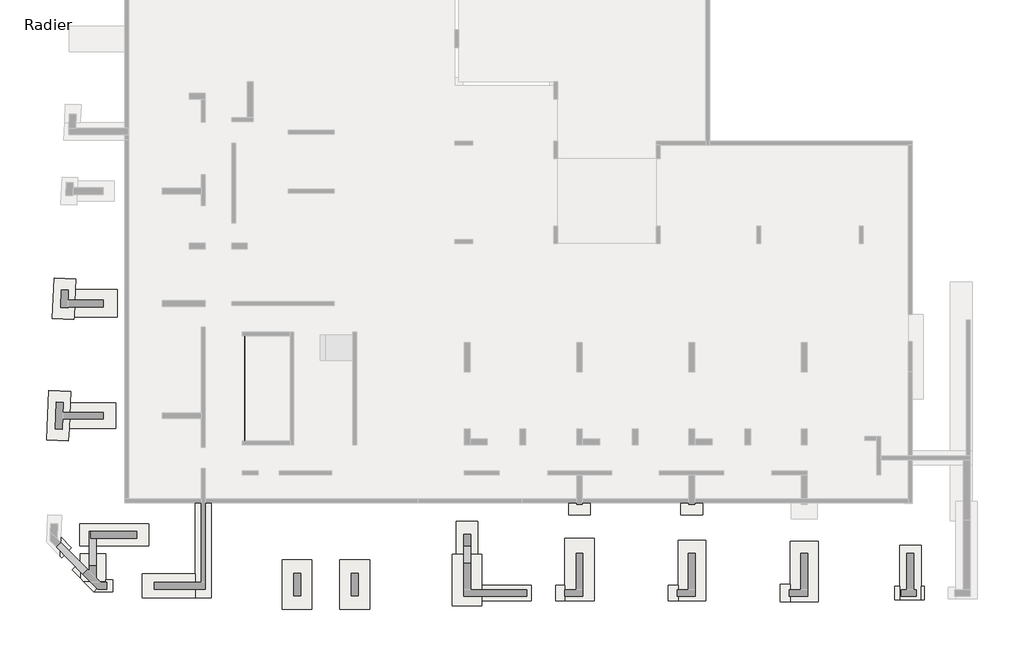
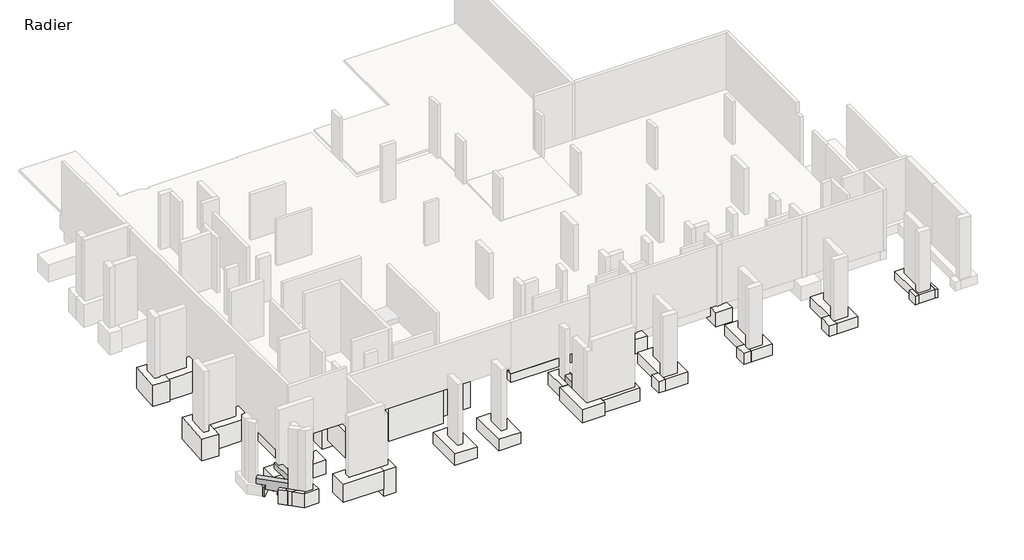
# One storey, part 4 of 5: 48 footings, 8 beams, 2 slabs.
"""IFC4 building model written with IfcOpenShell, lengths in millimetres."""

from ifc_helpers import new_model, si_unit, frame, origin, place, context, project, spatial, polyline, outline, extrude, faceted_brep, element, save

model = new_model("IFC4")

# Units and contexts
model_context = context("Model", 3, world=origin())
ifc_project = project(units=[si_unit("LENGTHUNIT", "METRE", prefix="MILLI")], contexts=[model_context])

# Site, building, storey
site = spatial("IfcSite", under=ifc_project)
building = spatial("IfcBuilding", under=site)
storey = spatial("IfcBuildingStorey", under=building, Name="Radier", Elevation=-3900.0)

# Beams
placement = place(None, origin())
element("IfcBeam", 1, ObjectType="VF. 20/190", at=placement, inside=storey, context=model_context, shape_type="Brep", body=[
    faceted_brep([(-34745.6912908, -6244.0672499, -4050.0), (-34745.6912908, -11559.0672499, -4050.0), (-34745.6912908, -11559.0672499, -5600.0), (-34745.6912908, -11559.0672499, -5750.0), (-34745.6912908, -11559.0672499, -5800.0), (-34745.6912908, -6244.0672499, -5800.0), (-34745.6912908, -6244.0672499, -5750.0), (-34745.6912908, -6244.0672499, -5600.0), (-34945.6912908, -11759.0672499, -5800.0), (-34945.6912908, -6044.0672499, -5800.0), (-34865.6912908, -6044.0672499, -5800.0), (-34865.6912908, -6244.0672499, -5800.0), (-34865.6912908, -11559.0672499, -5800.0), (-34865.6912908, -11759.0672499, -5800.0), (-34945.6912908, -11759.0672499, -4050.0), (-34945.6912908, -6044.0672499, -4050.0), (-34865.6912908, -11759.0672499, -4050.0), (-34865.6912908, -11559.0672499, -4050.0), (-34865.6912908, -6244.0672499, -4050.0), (-34865.6912908, -6044.0672499, -4050.0)], [[[0, 1, 2, 3, 4, 5, 6, 7]], [[8, 9, 10, 11, 5, 4, 12, 13]], [[14, 15, 9, 8]], [[15, 14, 16, 17, 1, 0, 18, 19]], [[9, 15, 19, 10]], [[14, 8, 13, 16]], [[11, 18, 0, 7, 6, 5]], [[18, 11, 10, 19]], [[17, 12, 4, 3, 2, 1]], [[12, 17, 16, 13]]]),
])
element("IfcBeam", 2, ObjectType="VF. 20/40", at=placement, inside=storey, context=model_context, shape_type="SweptSolid", body=[
    extrude(outline(polyline([(-36935.6912908, -11889.0672499), (-36735.6912908, -11889.0672499), (-36735.6912908, -12949.0672499), (-36935.6912908, -12949.0672499), (-36935.6912908, -11889.0672499)])), frame((0.0, 0.0, -4300.0), z_axis=(0.0, 0.0, 1.0), x_axis=(1.0, 0.0, 0.0)), (0.0, 0.0, 1.0), 250.0),
])
element("IfcBeam", 3, ObjectType="VF. 20/40", at=placement, inside=storey, context=model_context, shape_type="SweptSolid", body=[
    extrude(outline(polyline([(-32995.6912908, -13079.0672499), (-32995.6912908, -13279.0672499), (-34055.6912908, -13279.0672499), (-34055.6912908, -13079.0672499), (-32995.6912908, -13079.0672499)])), frame((0.0, 0.0, -4300.0), z_axis=(0.0, 0.0, 1.0), x_axis=(1.0, 0.0, 0.0)), (0.0, 0.0, 1.0), 250.0),
])
element("IfcBeam", 4, ObjectType="VF. 20/40", at=placement, inside=storey, context=model_context, shape_type="SweptSolid", body=[
    extrude(outline(polyline([(-35405.6912908, -4489.0672499), (-35405.6912908, -4689.0672499), (-36735.6912908, -4689.0672499), (-36735.6912908, -4489.0672499), (-35405.6912908, -4489.0672499)])), frame((0.0, 0.0, -4300.0), z_axis=(0.0, 0.0, 1.0), x_axis=(1.0, 0.0, 0.0)), (0.0, 0.0, 1.0), 250.0),
])
element("IfcBeam", 5, ObjectType="VF. 30/40", at=placement, inside=storey, context=model_context, shape_type="SweptSolid", body=[
    extrude(outline(polyline([(-35405.6912908, -1544.0672499), (-35405.6912908, -1844.0672499), (-36735.6912908, -1844.0672499), (-36735.6912908, -1544.0672499), (-35405.6912908, -1544.0672499)])), frame((0.0, 0.0, -4300.0), z_axis=(0.0, 0.0, 1.0), x_axis=(1.0, 0.0, 0.0)), (0.0, 0.0, 1.0), 250.0),
])
element("IfcBeam", 6, ObjectType="VF. 35/40", at=placement, inside=storey, context=model_context, shape_type="SweptSolid", body=[
    extrude(outline(polyline([(-42250.6912908, -17889.0672499), (-42600.6912908, -17889.0672499), (-42600.6912908, -16144.0672499), (-42525.6912908, -16144.0672499), (-42525.6912908, -16494.0672499), (-42250.6912908, -16494.0672499), (-42250.6912908, -17889.0672499)])), frame((0.0, 0.0, -4300.0), z_axis=(0.0, 0.0, 1.0), x_axis=(1.0, 0.0, 0.0)), (0.0, 0.0, 1.0), 400.0),
])
element("IfcBeam", 7, ObjectType="VF. 35/40", at=placement, inside=storey, context=model_context, shape_type="SweptSolid", body=[
    extrude(outline(polyline([(-23650.6912908, -16879.0672499), (-23300.6912908, -16879.0672499), (-23300.6912908, -17759.0672499), (-23650.6912908, -17759.0672499), (-23650.6912908, -16879.0672499)])), frame((0.0, 0.0, -4300.0), z_axis=(0.0, 0.0, 1.0), x_axis=(1.0, 0.0, 0.0)), (0.0, 0.0, 1.0), 400.0),
])
element("IfcBeam", 8, ObjectType="VF. 35/70", at=placement, inside=storey, context=model_context, shape_type="Brep", body=[
    faceted_brep([(-42683.933067, -18072.0990181, -3900.0), (-42932.9248767, -18318.0727539, -3900.0), (-42932.9248767, -18318.0727539, -4300.0), (-42683.933067, -18072.0990181, -4300.0), (-44296.322155, -16937.9467228, -3900.0), (-44047.3303452, -16691.972987, -3900.0), (-44047.3303452, -16691.972987, -4300.0), (-44296.322155, -16937.9467228, -4300.0), (-43888.1193718, -17351.1581147, -4300.0), (-43888.1193718, -17351.1581147, -4600.0), (-43312.5552464, -17933.7843563, -4600.0), (-43312.5552464, -17933.7843563, -4300.0), (-43075.6912908, -17675.5339587, -4600.0), (-43075.6912908, -17699.7914708, -4600.0), (-43639.127562, -17105.1843789, -4600.0), (-43075.6912908, -17675.5339587, -4300.0), (-43639.127562, -17105.1843789, -4300.0), (-43075.6912908, -17699.7914708, -4300.0)], [[[0, 1, 2, 3]], [[4, 5, 6, 7]], [[1, 4, 7, 8, 9, 10, 11, 2]], [[12, 13, 10, 9, 14]], [[5, 0, 3, 15, 12, 14, 16, 6]], [[1, 0, 5, 4]], [[3, 2, 11, 17, 15]], [[12, 15, 17, 13]], [[16, 8, 7, 6]], [[17, 11, 10, 13]], [[8, 16, 14, 9]]]),
])

# Footings
element("IfcFooting", 9, at=placement, inside=storey, context=model_context, shape_type="Brep", body=[
    faceted_brep([(-33870.6912908, -2444.0672499, -4300.0), (-33870.6912908, -2444.0672499, -6200.0), (-33870.6912908, -944.0672499, -6200.0), (-33870.6912908, -944.0672499, -4300.0), (-38270.6912908, -2444.0672499, -6200.0), (-38270.6912908, -2444.0672499, -4300.0), (-38270.6912908, -944.0672499, -4300.0), (-38270.6912908, -944.0672499, -6200.0), (-34605.6912908, -944.0672499, -4300.0), (-34605.6912908, -994.0672499, -4300.0), (-36005.6912908, -994.0672499, -4300.0), (-36005.6912908, -944.0672499, -4300.0), (-36005.6912908, -944.0672499, -5700.0), (-34605.6912908, -944.0672499, -5700.0), (-36005.6912908, -994.0672499, -5700.0), (-34605.6912908, -994.0672499, -5700.0)], [[[0, 1, 2, 3]], [[4, 5, 6, 7]], [[5, 0, 3, 8, 9, 10, 11, 6]], [[1, 0, 5, 4]], [[2, 1, 4, 7]], [[3, 2, 7, 6, 11, 12, 13, 8]], [[14, 10, 9, 15]], [[10, 14, 12, 11]], [[14, 15, 13, 12]], [[15, 9, 8, 13]]]),
])
element("IfcFooting", 10, at=placement, inside=storey, context=model_context, shape_type="SweptSolid", body=[
    extrude(outline(polyline([(-43381.4763941, -5289.0672499), (-43317.9655169, -3889.0672499), (-41205.3123193, -3889.0672499), (-41205.3123193, -5289.0672499), (-43381.4763941, -5289.0672499)])), frame((0.0, 0.0, -5800.0), z_axis=(0.0, 0.0, 1.0), x_axis=(1.0, 0.0, 0.0)), (0.0, 0.0, 1.0), 1500.0),
])
element("IfcFooting", 11, at=placement, inside=storey, context=model_context, shape_type="Brep", body=[
    faceted_brep([(-36735.6912908, -3739.0672499, -4300.0), (-36735.6912908, -5439.0672499, -4300.0), (-36735.6912908, -5439.0672499, -6300.0), (-36735.6912908, -3739.0672499, -6300.0), (-39855.6912908, -5439.0672499, -4300.0), (-39855.6912908, -3739.0672499, -4300.0), (-39855.6912908, -3739.0672499, -6300.0), (-39855.6912908, -5439.0672499, -6300.0), (-37585.6912908, -5439.0672499, -4300.0), (-37585.6912908, -5439.0672499, -6300.0), (-37585.6912908, -3739.0672499, -6300.0)], [[[0, 1, 2, 3]], [[4, 5, 6, 7]], [[0, 5, 4, 8, 1]], [[2, 1, 8, 4, 7, 9]], [[3, 2, 9, 7, 6, 10]], [[0, 3, 10, 6, 5]]]),
])
element("IfcFooting", 12, at=placement, inside=storey, context=model_context, shape_type="Brep", body=[
    faceted_brep([(-37585.6912908, -3739.0672499, -6800.0), (-37585.6912908, -5439.0672499, -6800.0), (-37585.6912908, -5439.0672499, -6600.0), (-37585.6912908, -5439.0672499, -6300.0), (-37585.6912908, -3739.0672499, -6300.0), (-30065.6912908, -3739.0672499, -6800.0), (-30065.6912908, -3739.0672499, -6300.0), (-30065.6912908, -3739.0672499, -4300.0), (-30065.6912908, -5439.0672499, -4300.0), (-30065.6912908, -5439.0672499, -6800.0), (-36735.6912908, -3739.0672499, -4300.0), (-36735.6912908, -4489.0672499, -4300.0), (-36735.6912908, -4689.0672499, -4300.0), (-36735.6912908, -5439.0672499, -4300.0), (-36085.6912908, -5439.0672499, -4300.0), (-36735.6912908, -3739.0672499, -6300.0), (-36735.6912908, -5439.0672499, -6300.0)], [[[0, 1, 2, 3, 4]], [[5, 6, 7, 8, 9]], [[8, 7, 10, 11, 12, 13, 14]], [[7, 6, 5, 0, 4, 15, 10]], [[1, 0, 5, 9]], [[9, 8, 14, 13, 16, 3, 2, 1]], [[15, 16, 13, 12, 11, 10]], [[16, 15, 4, 3]]]),
])
element("IfcFooting", 13, at=placement, inside=storey, context=model_context, shape_type="Brep", body=[
    faceted_brep([(-36085.6912908, -12999.0672499, -4300.0), (-36435.6912908, -12999.0672499, -4300.0), (-37235.6912908, -12999.0672499, -4300.0), (-37585.6912908, -12999.0672499, -4300.0), (-37585.6912908, -12999.0672499, -6600.0), (-36085.6912908, -12999.0672499, -6600.0), (-37585.6912908, -5439.0672499, -4300.0), (-36735.6912908, -5439.0672499, -4300.0), (-36085.6912908, -5439.0672499, -4300.0), (-36085.6912908, -5439.0672499, -6600.0), (-37585.6912908, -5439.0672499, -6600.0), (-37585.6912908, -5439.0672499, -6300.0), (-37585.6912908, -9529.0672499, -4300.0), (-37585.6912908, -11029.0672499, -4300.0)], [[[0, 1, 2, 3, 4, 5]], [[6, 7, 8, 9, 10, 11]], [[0, 8, 7, 6, 12, 13, 3, 2, 1]], [[4, 3, 13, 12, 6, 11, 10]], [[5, 4, 10, 9]], [[0, 5, 9, 8]]]),
])
element("IfcFooting", 14, at=placement, inside=storey, context=model_context, shape_type="SweptSolid", body=[
    extrude(outline(polyline([(-39555.6912908, -11029.0672499), (-39555.6912908, -9529.0672499), (-37585.6912908, -9529.0672499), (-37585.6912908, -11029.0672499), (-39555.6912908, -11029.0672499)])), frame((0.0, 0.0, -6100.0), z_axis=(0.0, 0.0, 1.0), x_axis=(1.0, 0.0, 0.0)), (0.0, 0.0, 1.0), 1800.0),
])
element("IfcFooting", 15, at=placement, inside=storey, context=model_context, shape_type="SweptSolid", body=[
    extrude(outline(polyline([(-43637.3344995, -10929.0672499), (-43578.3601135, -9629.0672499), (-41263.4386703, -9629.0672499), (-41263.4386703, -10929.0672499), (-43637.3344995, -10929.0672499)])), frame((0.0, 0.0, -5800.0), z_axis=(0.0, 0.0, 1.0), x_axis=(1.0, 0.0, 0.0)), (0.0, 0.0, 1.0), 1500.0),
])
element("IfcFooting", 16, at=placement, inside=storey, context=model_context, shape_type="Brep", body=[
    faceted_brep([(-28265.6912908, -13979.0672499, -4300.0), (-30065.6912908, -13979.0672499, -4300.0), (-30065.6912908, -13979.0672499, -6300.0), (-28265.6912908, -13979.0672499, -6300.0), (-30065.6912908, -3739.0672499, -4300.0), (-28265.6912908, -3739.0672499, -4300.0), (-28265.6912908, -3739.0672499, -6300.0), (-30065.6912908, -3739.0672499, -6300.0), (-30065.6912908, -5439.0672499, -4300.0), (-30065.6912908, -12379.0672499, -4300.0)], [[[0, 1, 2, 3]], [[4, 5, 6, 7]], [[0, 5, 4, 8, 9, 1]], [[2, 1, 9, 8, 4, 7]], [[3, 2, 7, 6]], [[0, 3, 6, 5]]]),
])
element("IfcFooting", 17, at=placement, inside=storey, context=model_context, shape_type="Brep", body=[
    faceted_brep([(-30065.6912908, -12379.0672499, -4300.0), (-30065.6912908, -13979.0672499, -4300.0), (-30065.6912908, -13979.0672499, -6300.0), (-30065.6912908, -13979.0672499, -6800.0), (-30065.6912908, -12379.0672499, -6800.0), (-33715.6912908, -13979.0672499, -4300.0), (-33715.6912908, -13629.0672499, -4300.0), (-33715.6912908, -12729.0672499, -4300.0), (-33715.6912908, -12379.0672499, -4300.0), (-33715.6912908, -12379.0672499, -6800.0), (-33715.6912908, -12729.0672499, -6800.0), (-33715.6912908, -13629.0672499, -6800.0), (-33715.6912908, -13979.0672499, -6800.0)], [[[0, 1, 2, 3, 4]], [[5, 6, 7, 8, 9, 10, 11, 12]], [[0, 8, 7, 6, 5, 1]], [[3, 2, 1, 5, 12]], [[4, 3, 12, 11, 10, 9]], [[0, 4, 9, 8]]]),
])
element("IfcFooting", 18, at=placement, inside=storey, context=model_context, shape_type="SweptSolid", body=[
    extrude(outline(polyline([(-35215.6912908, -13629.0672499), (-35215.6912908, -12729.0672499), (-33715.6912908, -12729.0672499), (-33715.6912908, -13629.0672499), (-35215.6912908, -13629.0672499)])), frame((0.0, 0.0, -6800.0), z_axis=(0.0, 0.0, 1.0), x_axis=(1.0, 0.0, 0.0)), (0.0, 0.0, 1.0), 2500.0),
])
element("IfcFooting", 19, at=placement, inside=storey, context=model_context, shape_type="Brep", body=[
    faceted_brep([(-35265.6912908, -6794.0672499, -5800.0), (-35265.6912908, -5494.0672499, -5800.0), (-35265.6912908, -5494.0672499, -6800.0), (-35265.6912908, -6794.0672499, -6800.0), (-32345.6912908, -5494.0672499, -5800.0), (-32345.6912908, -6794.0672499, -5800.0), (-32345.6912908, -6794.0672499, -6800.0), (-32345.6912908, -5494.0672499, -6800.0), (-33045.6912908, -6794.0672499, -5800.0), (-33045.6912908, -6794.0672499, -6800.0)], [[[0, 1, 2, 3]], [[4, 5, 6, 7]], [[0, 8, 5, 4, 1]], [[2, 1, 4, 7]], [[3, 2, 7, 6, 9]], [[0, 3, 9, 6, 5, 8]]]),
])
element("IfcFooting", 20, at=placement, inside=storey, context=model_context, shape_type="Brep", body=[
    faceted_brep([(-31645.6912908, -5494.0672499, -5800.0), (-31645.6912908, -5494.0672499, -6800.0), (-32345.6912908, -5494.0672499, -6800.0), (-32345.6912908, -5494.0672499, -5800.0), (-31645.6912908, -12059.0672499, -5800.0), (-32345.6912908, -6794.0672499, -5800.0), (-33045.6912908, -6794.0672499, -5800.0), (-33045.6912908, -11259.0672499, -5800.0), (-33045.6912908, -12059.0672499, -5800.0), (-33045.6912908, -12059.0672499, -6800.0), (-33045.6912908, -6794.0672499, -6800.0), (-33045.6912908, -11259.0672499, -6800.0), (-31645.6912908, -12059.0672499, -6800.0), (-32345.6912908, -6794.0672499, -6800.0)], [[[0, 1, 2, 3]], [[4, 0, 3, 5, 6, 7, 8]], [[9, 8, 7, 6, 10, 11]], [[1, 12, 9, 11, 10, 13, 2]], [[1, 0, 4, 12]], [[13, 5, 3, 2]], [[5, 13, 10, 6]], [[4, 8, 9, 12]]]),
])
element("IfcFooting", 21, at=placement, inside=storey, context=model_context, shape_type="SweptSolid", body=[
    extrude(outline(polyline([(-35265.6912908, -12059.0672499), (-35265.6912908, -11259.0672499), (-33045.6912908, -11259.0672499), (-33045.6912908, -12059.0672499), (-35265.6912908, -12059.0672499)])), frame((0.0, 0.0, -6800.0), z_axis=(0.0, 0.0, 1.0), x_axis=(1.0, 0.0, 0.0)), (0.0, 0.0, 1.0), 1000.0),
])
element("IfcFooting", 22, at=placement, inside=storey, context=model_context, shape_type="Brep", body=[
    faceted_brep([(-41775.6912908, -18690.656629, -5300.0), (-41775.6912908, -18690.656629, -4300.0), (-41928.2567405, -18690.656629, -4300.0), (-42881.1326203, -18690.656629, -4300.0), (-42881.1326203, -18690.656629, -5300.0), (-41928.2567405, -18690.656629, -5300.0), (-43075.6912908, -17289.0672499, -5300.0), (-43075.6912908, -17289.0672499, -4300.0), (-41775.6912908, -17289.0672499, -4300.0), (-41775.6912908, -17289.0672499, -5300.0), (-41775.6912908, -18599.0672499, -4300.0), (-43075.6912908, -17675.5339587, -4300.0), (-43075.6912908, -17699.7914708, -4300.0), (-43075.6912908, -18493.7107424, -4300.0), (-43075.6912908, -17699.7914708, -5300.0), (-43075.6912908, -18493.7107424, -5300.0), (-41775.6912908, -18599.0672499, -5300.0)], [[[0, 1, 2, 3, 4, 5]], [[6, 7, 8, 9]], [[1, 10, 8, 7, 11, 12, 13, 3, 2]], [[7, 6, 14, 15, 13, 12, 11]], [[6, 9, 16, 0, 5, 4, 15, 14]], [[1, 0, 16, 9, 8, 10]], [[4, 3, 13, 15]]]),
])
element("IfcFooting", 23, at=placement, inside=storey, context=model_context, shape_type="Brep", body=[
    faceted_brep([(-37235.6912908, -19499.0672499, -4300.0), (-36435.6912908, -19499.0672499, -4300.0), (-36435.6912908, -12999.0672499, -4300.0), (-37235.6912908, -12999.0672499, -4300.0), (-37235.6912908, -18299.0672499, -4300.0), (-37235.6912908, -19499.0672499, -6100.0), (-37235.6912908, -19499.0672499, -5600.0), (-37235.6912908, -12999.0672499, -6100.0), (-36435.6912908, -19499.0672499, -6100.0), (-36435.6912908, -12999.0672499, -6100.0)], [[[0, 1, 2, 3, 4]], [[5, 6, 0, 4, 3, 7]], [[8, 5, 7, 9]], [[1, 8, 9, 2]], [[1, 0, 6, 5, 8]], [[3, 2, 9, 7]]]),
])
element("IfcFooting", 24, at=placement, inside=storey, context=model_context, shape_type="SweptSolid", body=[
    extrude(outline(polyline([(-31335.6912908, -20094.0672499), (-32835.6912908, -20094.0672499), (-32835.6912908, -17574.0672499), (-31335.6912908, -17574.0672499), (-31335.6912908, -20094.0672499)])), frame((0.0, 0.0, -5100.0), z_axis=(0.0, 0.0, 1.0), x_axis=(1.0, 0.0, 0.0)), (0.0, 0.0, 1.0), 800.0),
])
element("IfcFooting", 25, at=placement, inside=storey, context=model_context, shape_type="SweptSolid", body=[
    extrude(outline(polyline([(-28415.6912908, -20094.0672499), (-29915.6912908, -20094.0672499), (-29915.6912908, -17574.0672499), (-28415.6912908, -17574.0672499), (-28415.6912908, -20094.0672499)])), frame((0.0, 0.0, -5100.0), z_axis=(0.0, 0.0, 1.0), x_axis=(1.0, 0.0, 0.0)), (0.0, 0.0, 1.0), 800.0),
])
element("IfcFooting", 26, at=placement, inside=storey, context=model_context, shape_type="Brep", body=[
    faceted_brep([(-22725.6912908, -19919.0672499, -4300.0), (-24225.6912908, -19919.0672499, -4300.0), (-24225.6912908, -19919.0672499, -5200.0), (-22725.6912908, -19919.0672499, -5200.0), (-24225.6912908, -17319.0672499, -4300.0), (-24025.6912908, -17319.0672499, -4300.0), (-22925.6912908, -17319.0672499, -4300.0), (-22725.6912908, -17319.0672499, -4300.0), (-22725.6912908, -17319.0672499, -5200.0), (-22925.6912908, -17319.0672499, -5200.0), (-24025.6912908, -17319.0672499, -5200.0), (-24225.6912908, -17319.0672499, -5200.0), (-22725.6912908, -19669.0672499, -4300.0), (-22725.6912908, -18869.0672499, -4300.0), (-22725.6912908, -18869.0672499, -5200.0), (-22725.6912908, -19669.0672499, -5200.0)], [[[0, 1, 2, 3]], [[4, 5, 6, 7, 8, 9, 10, 11]], [[0, 12, 13, 7, 6, 5, 4, 1]], [[2, 1, 4, 11]], [[3, 2, 11, 10, 9, 8, 14, 15]], [[0, 3, 15, 14, 8, 7, 13, 12]]]),
])
element("IfcFooting", 27, at=placement, inside=storey, context=model_context, shape_type="SweptSolid", body=[
    extrude(outline(polyline([(-22925.6912908, -17319.0672499), (-24025.6912908, -17319.0672499), (-24025.6912908, -15639.0672499), (-22925.6912908, -15639.0672499), (-22925.6912908, -17319.0672499)])), frame((0.0, 0.0, -5200.0), z_axis=(0.0, 0.0, 1.0), x_axis=(1.0, 0.0, 0.0)), (0.0, 0.0, 1.0), 900.0),
])
element("IfcFooting", 28, at=placement, inside=storey, context=model_context, shape_type="Brep", body=[
    faceted_brep([(-18535.6912908, -16499.0672499, -4300.0), (-17035.6912908, -16499.0672499, -4300.0), (-17035.6912908, -16499.0672499, -5100.0), (-18535.6912908, -16499.0672499, -5100.0), (-17035.6912908, -19669.0672499, -4300.0), (-18535.6912908, -18869.0672499, -4300.0), (-18535.6912908, -19669.0672499, -4300.0), (-18535.6912908, -19669.0672499, -5100.0), (-18535.6912908, -18869.0672499, -5100.0), (-17035.6912908, -19669.0672499, -5100.0)], [[[0, 1, 2, 3]], [[4, 1, 0, 5, 6]], [[7, 6, 5, 0, 3, 8]], [[9, 7, 8, 3, 2]], [[4, 9, 2, 1]], [[4, 6, 7, 9]]]),
])
element("IfcFooting", 29, at=placement, inside=storey, context=model_context, shape_type="Brep", body=[
    faceted_brep([(-12795.6912908, -16599.0672499, -4300.0), (-11395.6912908, -16599.0672499, -4300.0), (-11395.6912908, -16599.0672499, -5050.0), (-12795.6912908, -16599.0672499, -5050.0), (-11395.6912908, -19669.0672499, -4300.0), (-12795.6912908, -18869.0672499, -4300.0), (-12795.6912908, -19669.0672499, -4300.0), (-12795.6912908, -19669.0672499, -5050.0), (-12795.6912908, -18869.0672499, -5050.0), (-11395.6912908, -19669.0672499, -5050.0)], [[[0, 1, 2, 3]], [[4, 1, 0, 5, 6]], [[7, 6, 5, 0, 3, 8]], [[9, 7, 8, 3, 2]], [[4, 9, 2, 1]], [[4, 6, 7, 9]]]),
])
element("IfcFooting", 30, at=placement, inside=storey, context=model_context, shape_type="Brep", body=[
    faceted_brep([(-7105.6912908, -16649.0672499, -4300.0), (-5705.6912908, -16649.0672499, -4300.0), (-5705.6912908, -16649.0672499, -5050.0), (-7105.6912908, -16649.0672499, -5050.0), (-5705.6912908, -19719.0672499, -4300.0), (-7105.6912908, -18819.0672499, -4300.0), (-7105.6912908, -19719.0672499, -4300.0), (-7105.6912908, -19719.0672499, -5050.0), (-7105.6912908, -18819.0672499, -5050.0), (-5705.6912908, -19719.0672499, -5050.0)], [[[0, 1, 2, 3]], [[4, 1, 0, 5, 6]], [[7, 6, 5, 0, 3, 8]], [[9, 7, 8, 3, 2]], [[4, 9, 2, 1]], [[4, 6, 7, 9]]]),
])
element("IfcFooting", 31, at=placement, inside=storey, context=model_context, shape_type="Brep", body=[
    faceted_brep([(-1575.6912908, -16849.0672499, -4300.0), (-475.6912908, -16849.0672499, -4300.0), (-475.6912908, -16849.0672499, -4900.0), (-1575.6912908, -16849.0672499, -4900.0), (-475.6912908, -19619.0672499, -4300.0), (-475.6912908, -18919.0672499, -4300.0), (-1575.6912908, -18919.0672499, -4300.0), (-1575.6912908, -19619.0672499, -4300.0), (-1575.6912908, -19619.0672499, -4900.0), (-1575.6912908, -18919.0672499, -4900.0), (-475.6912908, -19619.0672499, -4900.0), (-475.6912908, -18919.0672499, -4900.0)], [[[0, 1, 2, 3]], [[4, 5, 1, 0, 6, 7]], [[8, 7, 6, 0, 3, 9]], [[10, 8, 9, 3, 2, 11]], [[4, 10, 11, 2, 1, 5]], [[4, 7, 8, 10]]]),
])
element("IfcFooting", 32, at=placement, inside=storey, context=model_context, shape_type="SweptSolid", body=[
    extrude(outline(polyline([(-21183.1912908, -12529.0672499), (-21183.1912908, -13829.0672499), (-24293.1912908, -13829.0672499), (-24293.1912908, -12529.0672499), (-21183.1912908, -12529.0672499)])), frame((0.0, 0.0, -5300.0), z_axis=(0.0, 0.0, 1.0), x_axis=(1.0, 0.0, 0.0)), (0.0, 0.0, 1.0), 1000.0),
])
element("IfcFooting", 33, at=placement, inside=storey, context=model_context, shape_type="Brep", body=[
    faceted_brep([(-15635.6912908, -12629.0672499, -4300.0), (-15635.6912908, -13729.0672499, -4300.0), (-15635.6912908, -13729.0672499, -5300.0), (-15635.6912908, -12629.0672499, -5300.0), (-19910.6912908, -13729.0672499, -4300.0), (-19910.6912908, -12629.0672499, -4300.0), (-19910.6912908, -12629.0672499, -5300.0), (-19910.6912908, -13729.0672499, -5300.0), (-18335.6912908, -13729.0672499, -4300.0), (-17235.6912908, -13729.0672499, -4300.0), (-18335.6912908, -13729.0672499, -5300.0), (-17235.6912908, -13729.0672499, -5300.0)], [[[0, 1, 2, 3]], [[4, 5, 6, 7]], [[0, 5, 4, 8, 9, 1]], [[2, 1, 9, 8, 4, 7, 10, 11]], [[3, 2, 11, 10, 7, 6]], [[0, 3, 6, 5]]]),
])
element("IfcFooting", 34, at=placement, inside=storey, context=model_context, shape_type="Brep", body=[
    faceted_brep([(-18335.6912908, -15314.0672499, -4300.0), (-18335.6912908, -15314.0672499, -5300.0), (-17235.6912908, -15314.0672499, -5300.0), (-17235.6912908, -15314.0672499, -4300.0), (-17235.6912908, -14699.0672499, -4300.0), (-17235.6912908, -14299.0672499, -4300.0), (-17235.6912908, -13729.0672499, -4300.0), (-18335.6912908, -13729.0672499, -4300.0), (-18335.6912908, -14299.0672499, -4300.0), (-18335.6912908, -14699.0672499, -4300.0), (-18335.6912908, -13729.0672499, -5300.0), (-17235.6912908, -13729.0672499, -5300.0)], [[[0, 1, 2, 3]], [[0, 3, 4, 5, 6, 7, 8, 9]], [[1, 0, 9, 8, 7, 10]], [[2, 1, 10, 11]], [[3, 2, 11, 6, 5, 4]], [[7, 6, 11, 10]]]),
])
element("IfcFooting", 35, at=placement, inside=storey, context=model_context, shape_type="Brep", body=[
    faceted_brep([(-11545.6912908, -15314.0672499, -4300.0), (-12645.6912908, -15314.0672499, -4300.0), (-12645.6912908, -15314.0672499, -5300.0), (-11545.6912908, -15314.0672499, -5300.0), (-11545.6912908, -14699.0672499, -4300.0), (-11545.6912908, -14299.0672499, -4300.0), (-11545.6912908, -13679.0672499, -4300.0), (-11545.6912908, -12679.0672499, -4300.0), (-12645.6912908, -12679.0672499, -4300.0), (-12645.6912908, -13679.0672499, -4300.0), (-12645.6912908, -14299.0672499, -4300.0), (-12645.6912908, -14699.0672499, -4300.0), (-12645.6912908, -12679.0672499, -5300.0), (-12645.6912908, -13679.0672499, -5300.0), (-11545.6912908, -12679.0672499, -5300.0), (-11545.6912908, -13679.0672499, -5300.0)], [[[0, 1, 2, 3]], [[0, 4, 5, 6, 7, 8, 9, 10, 11, 1]], [[2, 1, 11, 10, 9, 8, 12, 13]], [[3, 2, 13, 12, 14, 15]], [[0, 3, 15, 14, 7, 6, 5, 4]], [[8, 7, 14, 12]]]),
])
element("IfcFooting", 36, at=placement, inside=storey, context=model_context, shape_type="Brep", body=[
    faceted_brep([(-24275.6912908, -10159.0672499, -4300.0), (-22675.6912908, -10159.0672499, -4300.0), (-22675.6912908, -10159.0672499, -5300.0), (-24275.6912908, -10159.0672499, -5300.0), (-24275.6912908, -12459.0672499, -4300.0), (-22675.6912908, -12459.0672499, -4300.0), (-22675.6912908, -10759.0672499, -4300.0), (-22675.6912908, -12459.0672499, -5300.0), (-22675.6912908, -10759.0672499, -5300.0), (-24275.6912908, -12459.0672499, -5300.0)], [[[0, 1, 2, 3]], [[0, 4, 5, 6, 1]], [[2, 1, 6, 5, 7, 8]], [[3, 2, 8, 7, 9]], [[0, 3, 9, 4]], [[5, 4, 9, 7]]]),
])
element("IfcFooting", 37, at=placement, inside=storey, context=model_context, shape_type="SweptSolid", body=[
    extrude(outline(polyline([(-19900.6912908, -12409.0672499), (-21400.6912908, -12409.0672499), (-21400.6912908, -10309.0672499), (-19900.6912908, -10309.0672499), (-19900.6912908, -12409.0672499)])), frame((0.0, 0.0, -5300.0), z_axis=(0.0, 0.0, 1.0), x_axis=(1.0, 0.0, 0.0)), (0.0, 0.0, 1.0), 1000.0),
])
element("IfcFooting", 38, at=placement, inside=storey, context=model_context, shape_type="Brep", body=[
    faceted_brep([(-18635.6912908, -10159.0672499, -4300.0), (-16935.6912908, -10159.0672499, -4300.0), (-16935.6912908, -10159.0672499, -5300.0), (-18635.6912908, -10159.0672499, -5300.0), (-18635.6912908, -12409.0672499, -4300.0), (-16935.6912908, -12409.0672499, -4300.0), (-16935.6912908, -10809.0672499, -4300.0), (-16935.6912908, -12409.0672499, -5300.0), (-16935.6912908, -10809.0672499, -5300.0), (-18635.6912908, -12409.0672499, -5300.0)], [[[0, 1, 2, 3]], [[0, 4, 5, 6, 1]], [[2, 1, 6, 5, 7, 8]], [[3, 2, 8, 7, 9]], [[0, 3, 9, 4]], [[5, 4, 9, 7]]]),
])
element("IfcFooting", 39, at=placement, inside=storey, context=model_context, shape_type="SweptSolid", body=[
    extrude(outline(polyline([(-24625.6912908, -5409.0672499), (-22325.6912908, -5409.0672499), (-22325.6912908, -9209.0672499), (-24625.6912908, -9209.0672499), (-24625.6912908, -5409.0672499)])), frame((0.0, 0.0, -5550.0), z_axis=(0.0, 0.0, 1.0), x_axis=(1.0, 0.0, 0.0)), (0.0, 0.0, 1.0), 1250.0),
])
element("IfcFooting", 40, at=placement, inside=storey, context=model_context, shape_type="SweptSolid", body=[
    extrude(outline(polyline([(-18935.6912908, -5409.0672499), (-16635.6912908, -5409.0672499), (-16635.6912908, -9199.0672499), (-18935.6912908, -9199.0672499), (-18935.6912908, -5409.0672499)])), frame((0.0, 0.0, -5550.0), z_axis=(0.0, 0.0, 1.0), x_axis=(1.0, 0.0, 0.0)), (0.0, 0.0, 1.0), 1250.0),
])
element("IfcFooting", 41, at=placement, inside=storey, context=model_context, shape_type="SweptSolid", body=[
    extrude(outline(polyline([(-40405.6912908, -14499.0672499), (-40805.6912908, -14499.0672499), (-40805.6912908, 3675.9327501), (-40405.6912908, 3675.9327501), (-40405.6912908, -14499.0672499)])), frame((0.0, 0.0, -6000.0), z_axis=(0.0, 0.0, 1.0), x_axis=(1.0, 0.0, 0.0)), (0.0, 0.0, 1.0), 600.0),
])
element("IfcFooting", 42, at=placement, inside=storey, context=model_context, shape_type="SweptSolid", body=[
    extrude(outline(polyline([(-43105.6912908, -16869.0672499), (-43105.6912908, -15769.0672499), (-39605.6912908, -15769.0672499), (-39605.6912908, -16869.0672499), (-43105.6912908, -16869.0672499)])), frame((0.0, 0.0, -5300.0), z_axis=(0.0, 0.0, 1.0), x_axis=(1.0, 0.0, 0.0)), (0.0, 0.0, 1.0), 1000.0),
])
element("IfcFooting", 43, at=placement, inside=storey, context=model_context, shape_type="SweptSolid", body=[
    extrude(outline(polyline([(-21775.6912908, -10759.0672499), (-21775.6912908, -12459.0672499), (-22675.6912908, -12459.0672499), (-22675.6912908, -10759.0672499), (-21775.6912908, -10759.0672499)])), frame((0.0, 0.0, -5300.0), z_axis=(0.0, 0.0, 1.0), x_axis=(1.0, 0.0, 0.0)), (0.0, 0.0, 1.0), 1000.0),
])
element("IfcFooting", 44, at=placement, inside=storey, context=model_context, shape_type="SweptSolid", body=[
    extrude(outline(polyline([(-15985.6912908, -10809.0672499), (-15985.6912908, -12409.0672499), (-16935.6912908, -12409.0672499), (-16935.6912908, -10809.0672499), (-15985.6912908, -10809.0672499)])), frame((0.0, 0.0, -5300.0), z_axis=(0.0, 0.0, 1.0), x_axis=(1.0, 0.0, 0.0)), (0.0, 0.0, 1.0), 1000.0),
])
element("IfcFooting", 45, at=placement, inside=storey, context=model_context, shape_type="SweptSolid", body=[
    extrude(outline(polyline([(-25975.6912908, -14699.0672499), (-25975.6912908, -14299.0672499), (-20715.6912908, -14299.0672499), (-20715.6912908, -14699.0672499), (-25975.6912908, -14699.0672499)])), frame((0.0, 0.0, -4900.0), z_axis=(0.0, 0.0, 1.0), x_axis=(1.0, 0.0, 0.0)), (0.0, 0.0, 1.0), 600.0),
])
element("IfcFooting", 46, at=placement, inside=storey, context=model_context, shape_type="SweptSolid", body=[
    extrude(outline(polyline([(-20225.6912908, -18869.0672499), (-20225.6912908, -19669.0672499), (-22725.6912908, -19669.0672499), (-22725.6912908, -18869.0672499), (-20225.6912908, -18869.0672499)])), frame((0.0, 0.0, -5200.0), z_axis=(0.0, 0.0, 1.0), x_axis=(1.0, 0.0, 0.0)), (0.0, 0.0, 1.0), 900.0),
])
element("IfcFooting", 47, at=placement, inside=storey, context=model_context, shape_type="Brep", body=[
    faceted_brep([(-18985.6912908, -18869.0672499, -4300.0), (-18985.6912908, -18869.0672499, -5100.0), (-18985.6912908, -19669.0672499, -5100.0), (-18985.6912908, -19669.0672499, -4300.0), (-18535.6912908, -19669.0672499, -4300.0), (-18535.6912908, -19444.0672499, -4300.0), (-18535.6912908, -19094.0672499, -4300.0), (-18535.6912908, -18869.0672499, -4300.0), (-18535.6912908, -18869.0672499, -5100.0), (-18535.6912908, -19669.0672499, -5100.0)], [[[0, 1, 2, 3]], [[0, 3, 4, 5, 6, 7]], [[1, 0, 7, 8]], [[2, 1, 8, 9]], [[3, 2, 9, 4]], [[7, 6, 5, 4, 9, 8]]]),
])
element("IfcFooting", 48, at=placement, inside=storey, context=model_context, shape_type="SweptSolid", body=[
    extrude(outline(polyline([(-13295.6912908, -19669.0672499), (-13295.6912908, -18869.0672499), (-12795.6912908, -18869.0672499), (-12795.6912908, -19669.0672499), (-13295.6912908, -19669.0672499)])), frame((0.0, 0.0, -5050.0), z_axis=(0.0, 0.0, 1.0), x_axis=(1.0, 0.0, 0.0)), (0.0, 0.0, 1.0), 750.0),
])
element("IfcFooting", 49, at=placement, inside=storey, context=model_context, shape_type="SweptSolid", body=[
    extrude(outline(polyline([(-7605.6912908, -19719.0672499), (-7605.6912908, -18819.0672499), (-7105.6912908, -18819.0672499), (-7105.6912908, -19719.0672499), (-7605.6912908, -19719.0672499)])), frame((0.0, 0.0, -5050.0), z_axis=(0.0, 0.0, 1.0), x_axis=(1.0, 0.0, 0.0)), (0.0, 0.0, 1.0), 750.0),
])
element("IfcFooting", 50, at=placement, inside=storey, context=model_context, shape_type="SweptSolid", body=[
    extrude(outline(polyline([(-1825.6912908, -19619.0672499), (-1825.6912908, -18919.0672499), (-1575.6912908, -18919.0672499), (-1575.6912908, -19619.0672499), (-1825.6912908, -19619.0672499)])), frame((0.0, 0.0, -4900.0), z_axis=(0.0, 0.0, 1.0), x_axis=(1.0, 0.0, 0.0)), (0.0, 0.0, 1.0), 600.0),
    extrude(outline(polyline([(-325.6912908, -18919.0672499), (-325.6912908, -19619.0672499), (-475.6912908, -19619.0672499), (-475.6912908, -18919.0672499), (-325.6912908, -18919.0672499)])), frame((0.0, 0.0, -4900.0), z_axis=(0.0, 0.0, 1.0), x_axis=(1.0, 0.0, 0.0)), (0.0, 0.0, 1.0), 600.0),
])
element("IfcFooting", 51, at=placement, inside=storey, context=model_context, shape_type="Brep", body=[
    faceted_brep([(-44486.0275766, -5364.4532184, -4300.0), (-44486.0275766, -5364.4532184, -5800.0), (-43387.157719, -5414.3033532, -5800.0), (-43387.157719, -5414.3033532, -4300.0), (-44393.1250529, -3316.5593928, -5800.0), (-44393.1250529, -3316.5593928, -4300.0), (-43294.2551952, -3366.4095275, -4300.0), (-43294.2551952, -3366.4095275, -5800.0), (-43381.4763941, -5289.0672499, -4300.0), (-43317.9655169, -3889.0672499, -4300.0), (-43317.9655169, -3889.0672499, -5800.0), (-43381.4763941, -5289.0672499, -5800.0)], [[[0, 1, 2, 3]], [[4, 5, 6, 7]], [[5, 0, 3, 8, 9, 6]], [[1, 0, 5, 4]], [[2, 1, 4, 7, 10, 11]], [[3, 2, 11, 10, 7, 6, 9, 8]]]),
])
element("IfcFooting", 52, at=placement, inside=storey, context=model_context, shape_type="Brep", body=[
    faceted_brep([(-44764.5471646, -11503.9908875, -4300.0), (-44764.5471646, -11503.9908875, -5800.0), (-43665.6773069, -11553.8410222, -5800.0), (-43665.6773069, -11553.8410222, -4300.0), (-44651.2514038, -9006.5593928, -5800.0), (-44651.2514038, -9006.5593928, -4300.0), (-43552.3815462, -9056.4095275, -4300.0), (-43552.3815462, -9056.4095275, -5800.0), (-43637.3344995, -10929.0672499, -4300.0), (-43578.3601135, -9629.0672499, -4300.0), (-43578.3601135, -9629.0672499, -5800.0), (-43637.3344995, -10929.0672499, -5800.0)], [[[0, 1, 2, 3]], [[4, 5, 6, 7]], [[5, 0, 3, 8, 9, 6]], [[1, 0, 5, 4]], [[2, 1, 4, 7, 10, 11]], [[3, 2, 11, 10, 7, 6, 9, 8]]]),
])
element("IfcFooting", 53, at=placement, inside=storey, context=model_context, shape_type="SweptSolid", body=[
    extrude(outline(polyline([(-41413.5874032, -18599.0672499), (-41413.5874032, -19199.0672499), (-42378.8845348, -19199.0672499), (-41928.2567405, -18690.656629), (-41775.6912908, -18690.656629), (-41775.6912908, -18599.0672499), (-41413.5874032, -18599.0672499)])), frame((0.0, 0.0, -5300.0), z_axis=(0.0, 0.0, 1.0), x_axis=(1.0, 0.0, 0.0)), (0.0, 0.0, 1.0), 1000.0),
])
element("IfcFooting", 54, at=placement, inside=storey, context=model_context, shape_type="Brep", body=[
    faceted_brep([(-43472.6214098, -18091.9103293, -5300.0), (-43472.6214098, -18091.9103293, -4300.0), (-43312.5552464, -17933.7843563, -4300.0), (-43075.6912908, -17699.7914708, -4300.0), (-43075.6912908, -17699.7914708, -4600.0), (-43075.6912908, -17699.7914708, -5300.0), (-43075.6912908, -18493.7107424, -4300.0), (-43075.6912908, -18493.7107424, -5300.0)], [[[0, 1, 2, 3, 4, 5]], [[3, 2, 1, 6]], [[0, 5, 7]], [[1, 0, 7, 6]], [[5, 4, 3, 6, 7]]]),
    faceted_brep([(-42881.1326203, -18690.656629, -4300.0), (-42378.8845348, -19199.0672499, -4300.0), (-41928.2567405, -18690.656629, -4300.0), (-42378.8845348, -19199.0672499, -5300.0), (-42881.1326203, -18690.656629, -5300.0), (-41928.2567405, -18690.656629, -5300.0)], [[[0, 1, 2]], [[3, 4, 5]], [[0, 4, 3, 1]], [[4, 0, 2, 5]], [[2, 1, 3, 5]]]),
])
element("IfcFooting", 55, at=placement, inside=storey, context=model_context, shape_type="SweptSolid", body=[
    extrude(outline(polyline([(-39935.6912908, -19499.0672499), (-39935.6912908, -18299.0672499), (-37235.6912908, -18299.0672499), (-37235.6912908, -19499.0672499), (-39935.6912908, -19499.0672499)])), frame((0.0, 0.0, -5600.0), z_axis=(0.0, 0.0, 1.0), x_axis=(1.0, 0.0, 0.0)), (0.0, 0.0, 1.0), 1300.0),
])
element("IfcFooting", 56, at=placement, inside=storey, context=model_context, shape_type="Brep", body=[
    faceted_brep([(-44012.6152766, -17474.1449826, -4300.0), (-44012.6152766, -17474.1449826, -5000.0), (-43514.6316572, -16982.197511, -5000.0), (-43514.6316572, -16982.197511, -4300.0), (-43639.127562, -17105.1843789, -4300.0), (-43888.1193718, -17351.1581147, -4300.0), (-44061.9791653, -16428.1341019, -4300.0), (-44105.1806147, -17380.4438768, -4300.0), (-44105.1806147, -17380.4438768, -5000.0), (-44061.9791653, -16428.1341019, -5000.0)], [[[0, 1, 2, 3, 4, 5]], [[3, 6, 7, 0, 5, 4]], [[1, 0, 7, 8]], [[2, 1, 8, 9]], [[3, 2, 9, 6]], [[7, 6, 9, 8]]]),
])

# Slabs
element("IfcSlab", 57, ObjectType="F-2", at=placement, inside=storey, context=model_context, shape_type="SweptSolid", body=[
    extrude(outline(polyline([(-18395.6912908, -509.1017012), (-18395.6912908, -1709.1017012), (-19595.6912908, -1709.1017012), (-19595.6912908, -509.1017012), (-18395.6912908, -509.1017012)])), frame((0.0, 0.0, -4900.0), z_axis=(0.0, 0.0, 1.0), x_axis=(1.0, 0.0, 0.0)), (0.0, 0.0, 1.0), 600.0),
])
element("IfcSlab", 58, ObjectType="F-2", at=placement, inside=storey, context=model_context, shape_type="SweptSolid", body=[
    extrude(outline(polyline([(-23055.725742, -859.1017012), (-23055.725742, -2059.1017012), (-24255.725742, -2059.1017012), (-24255.725742, -859.1017012), (-23055.725742, -859.1017012)])), frame((0.0, 0.0, -4900.0), z_axis=(0.0, 0.0, 1.0), x_axis=(1.0, 0.0, 0.0)), (0.0, 0.0, 1.0), 600.0),
])

save(model, "model.ifc")
